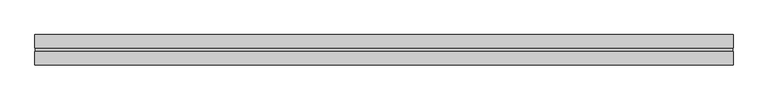
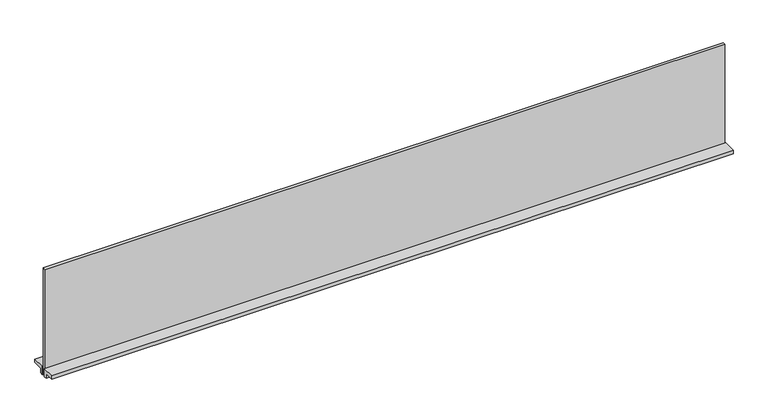
"""IFC4 building model written with IfcOpenShell, lengths in millimetres: furniture geometry."""

from ifc_helpers import new_model, si_unit, frame, origin, place, context, project, spatial, polyline, outline, extrude, source, transform, mapped, element, save


def furniture_db898d04(model_context):
    return source(origin(), model_context, "Body", "SweptSolid", [
        extrude(outline(polyline([(12.9619352, 1150.366), (12.9619352, 1136.777), (4.8339366, 1136.777), (4.8339366, 1159.891), (39.4795359, 1159.891), (39.4795359, 1150.366), (12.9619352, 1150.366)])), frame((-913.384, 0.0, 0.0), z_axis=(1.0, 0.0, 0.0), x_axis=(0.0, 1.0, 0.0)), (0.0, 0.0, 1.0), 1826.7680009),
        extrude(outline(polyline([(-12.9714633, 1136.777), (-12.9714633, 1150.366), (-39.4890627, 1150.366), (-39.4890627, 1159.891), (-4.8434625, 1159.891), (-4.8434625, 1136.777), (-12.9714633, 1136.777)])), frame((-913.384, 0.0, 0.0), z_axis=(1.0, 0.0, 0.0), x_axis=(0.0, 1.0, 0.0)), (0.0, 0.0, 1.0), 1826.7680009),
        extrude(outline(polyline([(911.987001, 3.652836), (911.987001, -3.662364), (-911.987, -3.662364), (-911.987, 3.652836), (911.987001, 3.652836)])), frame((0.0, 0.0, 1136.777), z_axis=(0.0, 0.0, 1.0), x_axis=(1.0, 0.0, 0.0)), (0.0, 0.0, 1.0), 302.514),
    ])


if __name__ == "__main__":
    model = new_model("IFC4")
    model_context = context("Model", 3, world=origin())
    ifc_project = project(units=[si_unit("LENGTHUNIT", "METRE", prefix="MILLI")], contexts=[model_context])
    site = spatial("IfcSite", under=ifc_project)
    building = spatial("IfcBuilding", under=site)
    placement = place(None, origin())
    furniture_shape = furniture_db898d04(model_context)
    element("IfcFurniture", 1, at=placement, inside=building, context=model_context, shape_type="MappedRepresentation", body=[
        mapped(furniture_shape, transform((0.0, 0.0, 0.0), x_axis=(1.0, 0.0, 0.0), y_axis=(0.0, 1.0, 0.0), z_axis=(0.0, 0.0, 1.0))),
    ])
    save(model, "model.ifc")
